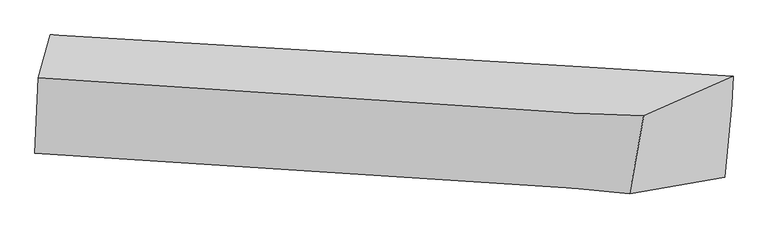
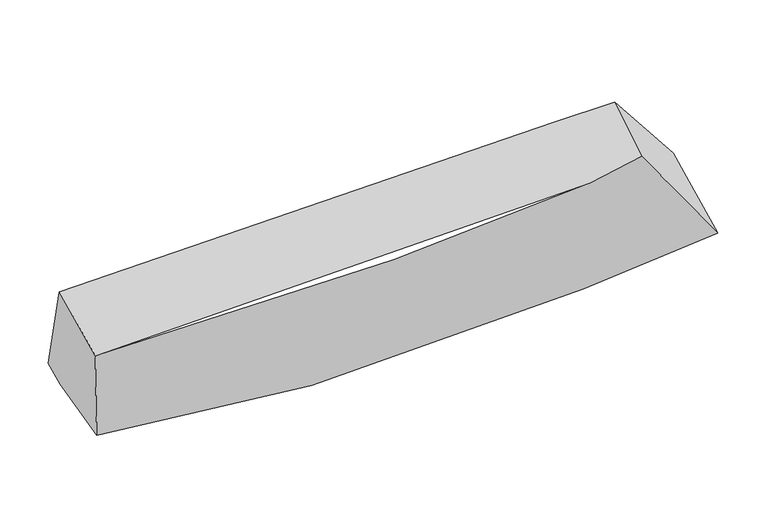
"""IFC4 building model written with IfcOpenShell, lengths in millimetres: proxy geometry."""

from ifc_helpers import new_model, si_unit, frame, origin, place, context, project, spatial, source, transform, mapped, element, save
from ifc_brep_helpers import plane_surface, spline_curve, spline_surface, advanced_brep


def generic_models_53207b30(model_context):
    return source(origin(), model_context, "Body", "AdvancedBrep", [
        advanced_brep(
        [(-1730.1020051, -2241.9076888, 3268.7368385), (-1680.29639, -2169.6616524, 2695.4132729), (1971.317301, -2371.7844079, 2838.177202), (1459.5305002, -2459.3481775, 3566.6029206), (-1654.4838251, -1744.0195251, 2755.7466075), (2008.5573747, -1980.6403473, 2953.1985416), (-1648.6923552, -1608.2613638, 2806.3547147), (2014.9479622, -1830.8382383, 3009.0419702), (-1713.4312198, -1837.0160536, 3427.4063803), (1536.1973005, -2043.1948548, 3633.483698)],
        [
            (0, 1),
            (1, 2, spline_curve(3, [(-1680.29639, -2169.6616524, 2695.4132729), (-950.69152312, -2218.440180984, 2584.09767316), (1.969701749, -2272.663326939, 2596.489488393), (1431.809958288, -2345.227836309, 2762.005562447), (1696.353297401, -2358.378942247, 2797.201723571), (1971.317301, -2371.7844079, 2838.177202)], [4, 2, 4], [0.0, 9.280844266390838, 11.28683022975992])),
            (2, 3),
            (3, 0, spline_curve(3, [(1459.5305002, -2459.3481775, 3566.6029206), (1378.886556401, -2450.879713844, 3536.095157696), (1278.991396235, -2441.626884563, 3507.873222321), (608.605387061, -2385.151855525, 3361.941770149), (-354.710287773, -2321.924522004, 3290.875011432), (-1730.1020051, -2241.9076888, 3268.7368385)], [4, 2, 4], [0.0, 2.0059859633690813, 11.28683022975992])),
            (1, 4),
            (4, 5, spline_curve(3, [(-1654.4838251, -1744.0195251, 2755.7466075), (-954.111032843, -1753.156313638, 2770.083115794), (-4.069668291, -1808.109084795, 2817.132253331), (1454.94871271, -1930.658260712, 2914.133937798), (1725.921081663, -1954.579096925, 2932.902111401), (2008.5573747, -1980.6403473, 2953.1985416)], [4, 2, 4], [0.0, 9.905112962767802, 12.04602999559118])),
            (5, 2),
            (4, 6),
            (6, 7, spline_curve(3, [(-1648.6923552, -1608.2613638, 2806.3547147), (-949.453857724, -1643.987220839, 2810.77931479), (0.52093806, -1700.500430603, 2857.246749871), (1460.756869665, -1794.508939059, 2964.887862227), (1731.995513057, -1812.188020746, 2985.982845356), (2014.9479622, -1830.8382383, 3009.0419702)], [4, 2, 4], [0.0, 9.918753968564653, 12.0626194040731])),
            (7, 5),
            (6, 8),
            (8, 9, spline_curve(3, [(-1713.4312198, -1837.0160536, 3427.4063803), (-412.729343299, -1934.242287276, 3527.978044747), (550.833580292, -1997.990087306, 3592.297549747), (1312.654467452, -2034.801953996, 3626.431444199), (1432.301050498, -2039.780420898, 3630.804378603), (1536.1973005, -2043.1948548, 3633.483698)], [4, 2, 4], [0.0, 9.359379845762975, 11.382340694748452])),
            (9, 7),
            (8, 0),
            (3, 9),
        ],
        [
            spline_surface(3, 3, [[(-1730.1020051, -2241.9076888, 3268.7368385), (-354.710287862, -2321.924521897, 3290.8750114), (608.605387091, -2385.151855532, 3361.941770118), (1278.991396229, -2441.626884562, 3507.873222328), (1378.886556387, -2450.879713814, 3536.09515767), (1459.5305002, -2459.3481775, 3566.6029206)], [(-1713.500133393, -2217.825676659, 3077.628983287), (-553.370699556, -2287.429741627, 3055.282565271), (406.393491958, -2347.655679341, 3106.791009519), (1329.930916947, -2409.49386847, 3259.25066905), (1484.708803398, -2420.046123285, 3289.797346316), (1630.126100468, -2430.160254283, 3323.794347747)], [(-1696.898261707, -2193.743664541, 2886.521128113), (-752.031111273, -2252.93496138, 2819.690119182), (204.181596755, -2310.159503166, 2851.640248894), (1380.870437597, -2377.360852393, 3010.628115746), (1590.531050405, -2389.212532806, 3043.499534921), (1800.721700732, -2400.972331117, 3080.985774853)], [(-1680.29639, -2169.6616524, 2695.4132729), (-950.691522967, -2218.44018111, 2584.097673054), (1.969701622, -2272.663326975, 2596.489488295), (1431.809958315, -2345.227836301, 2762.005562468), (1696.353297416, -2358.378942276, 2797.201723567), (1971.317301, -2371.7844079, 2838.177202)]], [4, 4], [4, 2, 4], [0.0, 2.8011812995695786], [0.0, 9.280844266390838, 11.28683022975992]),
            spline_surface(3, 3, [[(-1680.29639, -2169.6616524, 2695.4132729), (-950.691522967, -2218.44018111, 2584.097673054), (1.969701622, -2272.663326975, 2596.489488295), (1431.809958315, -2345.227836301, 2762.005562468), (1696.353297416, -2358.378942276, 2797.201723567), (1971.317301, -2371.7844079, 2838.177202)], [(-1671.692201719, -2027.780943315, 2715.524384438), (-951.831359579, -2063.345558658, 2646.092820587), (-0.04342173, -2117.811912965, 2670.037076645), (1439.522876451, -2207.03797777, 2812.715020898), (1706.209225494, -2223.77899382, 2842.435186176), (1983.73065889, -2241.403054365, 2876.517648526)], [(-1663.088013381, -1885.900234185, 2735.635495962), (-952.971196134, -1908.250936161, 2708.087968105), (-2.056545066, -1962.960498932, 2743.584665026), (1447.235794602, -2068.848119216, 2863.424479359), (1716.065153603, -2089.179045369, 2887.668648807), (1996.14401681, -2111.021700835, 2914.858095074)], [(-1654.4838251, -1744.0195251, 2755.7466075), (-954.111032746, -1753.156313708, 2770.083115639), (-4.069668418, -1808.109084922, 2817.132253376), (1454.948712737, -1930.658260685, 2914.133937789), (1725.921081681, -1954.579096912, 2932.902111416), (2008.5573747, -1980.6403473, 2953.1985416)]], [4, 4], [4, 2, 4], [0.0, 1.6104438526040301], [0.0, 9.905112962767802, 12.04602999559118]),
            spline_surface(3, 3, [[(-1654.4838251, -1744.0195251, 2755.7466075), (-954.111032746, -1753.156313708, 2770.083115639), (-4.069668418, -1808.109084922, 2817.132253376), (1454.948712737, -1930.658260685, 2914.133937789), (1725.921081681, -1954.579096912, 2932.902111416), (2008.5573747, -1980.6403473, 2953.1985416)], [(-1652.55333511, -1698.766804663, 2772.615976561), (-952.558641061, -1716.766616103, 2783.64851531), (-2.539466272, -1772.239533529, 2830.503752254), (1456.884765053, -1885.275153464, 2931.051912608), (1727.945892157, -1907.115404844, 2950.59568941), (2010.687570551, -1930.706310955, 2971.813017806)], [(-1650.62284519, -1653.514084237, 2789.485345639), (-951.006249444, -1680.376918511, 2797.213914996), (-1.009264135, -1736.36998214, 2843.875251091), (1458.820817361, -1839.892046249, 2947.969887387), (1729.970702581, -1859.65171281, 2968.289267387), (2012.817766349, -1880.772274645, 2990.427493994)], [(-1648.6923552, -1608.2613638, 2806.3547147), (-949.453857758, -1643.987220905, 2810.779314667), (0.520938011, -1700.500430747, 2857.246749968), (1460.756869676, -1794.508939028, 2964.887862206), (1731.995513057, -1812.188020742, 2985.982845382), (2014.9479622, -1830.8382383, 3009.0419702)]], [4, 4], [4, 2, 4], [0.0, 0.403041165789817], [0.0, 9.918753968564653, 12.0626194040731]),
            spline_surface(3, 3, [[(-1648.6923552, -1608.2613638, 2806.3547147), (-949.453857758, -1643.987220905, 2810.779314667), (0.520938011, -1700.500430747, 2857.246749968), (1460.756869676, -1794.508939028, 2964.887862206), (1731.995513057, -1812.188020742, 2985.982845382), (2014.9479622, -1830.8382383, 3009.0419702)], [(-1670.271976749, -1684.512927042, 3013.371936563), (-770.545686329, -1740.738909682, 3049.845558068), (183.95848542, -1799.663649633, 3102.263683197), (1411.389402264, -1874.606610682, 3185.402389522), (1632.097358885, -1888.052154159, 3200.923356443), (1855.364408314, -1901.623777159, 3217.189212784)], [(-1691.851598251, -1760.764490358, 3220.389158437), (-591.637514852, -1837.490598532, 3288.911801478), (367.39603285, -1898.826868507, 3347.280616478), (1362.021934871, -1954.704282324, 3405.916916891), (1532.199204671, -1963.916287499, 3415.863867552), (1695.780854386, -1972.409315941, 3425.336455416)], [(-1713.4312198, -1837.0160536, 3427.4063803), (-412.729343423, -1934.242287309, 3527.978044878), (550.83358026, -1997.990087392, 3592.297549707), (1312.654467459, -2034.801953978, 3626.431444207), (1432.301050499, -2039.780420916, 3630.804378613), (1536.1973005, -2043.1948548, 3633.483698)]], [4, 4], [4, 2, 4], [0.0, 2.7974197396323492], [0.0, 9.359379845762975, 11.382340694748452]),
            spline_surface(3, 3, [[(-1713.4312198, -1837.0160536, 3427.4063803), (-412.729343423, -1934.242287309, 3527.978044878), (550.83358026, -1997.990087392, 3592.297549707), (1312.654467459, -2034.801953978, 3626.431444207), (1432.301050499, -2039.780420916, 3630.804378613), (1536.1973005, -2043.1948548, 3633.483698)], [(-1718.988148228, -1971.979932021, 3374.51653305), (-393.389658231, -2063.469698859, 3448.943700402), (570.09084919, -2127.044010101, 3515.51228985), (1301.433443702, -2170.410264167, 3586.91203692), (1414.496219105, -2176.813518553, 3599.234638303), (1510.641700377, -2181.912629038, 3611.190105537)], [(-1724.545076672, -2106.943810379, 3321.62668575), (-374.049973054, -2192.697110346, 3369.909355876), (589.348118161, -2256.097932824, 3438.727029975), (1290.212419986, -2306.018574372, 3547.392629615), (1396.69138778, -2313.846616176, 3567.66489798), (1485.086100323, -2320.630403262, 3588.896513063)], [(-1730.1020051, -2241.9076888, 3268.7368385), (-354.710287862, -2321.924521897, 3290.8750114), (608.605387091, -2385.151855532, 3361.941770118), (1278.991396229, -2441.626884562, 3507.873222328), (1378.886556387, -2450.879713814, 3536.09515767), (1459.5305002, -2459.3481775, 3566.6029206)]], [4, 4], [4, 2, 4], [0.0, 1.459728936879094], [0.0, 8.7339380375377, 10.621714257604498]),
            plane_surface(frame((1798.1100877, -2137.1612052, 3200.1008665), z_axis=(0.8082930164514822, -0.23562598107171176, 0.5395764974493955), x_axis=(-0.5874241247337487, -0.2605602657376054, 0.7661861690213012))),
            plane_surface(frame((-1685.401159, -1920.1732568, 2990.7315628), z_axis=(-0.994448266081146, 0.07127937227128452, -0.0774073457548711), x_axis=(0.03830682775144805, 0.9303769357735531, 0.3645975100411891))),
        ],
        [
            (0, [[1, 2, 3, 4]]),
            (1, [[5, 6, 7, -2]]),
            (2, [[8, 9, 10, -6]]),
            (3, [[11, 12, 13, -9]]),
            (4, [[14, -4, 15, -12]]),
            (5, [[-13, -15, -3, -7, -10]]),
            (6, [[-14, -11, -8, -5, -1]]),
        ],
    ),
    ])


if __name__ == "__main__":
    model = new_model("IFC4")
    model_context = context("Model", 3, world=origin())
    ifc_project = project(units=[si_unit("LENGTHUNIT", "METRE", prefix="MILLI")], contexts=[model_context])
    site = spatial("IfcSite", under=ifc_project)
    building = spatial("IfcBuilding", under=site)
    placement = place(None, origin())
    generic_models_shape = generic_models_53207b30(model_context)
    element("IfcBuildingElementProxy", 1, Name="Generic Models", at=placement, inside=building, context=model_context, shape_type="MappedRepresentation", body=[
        mapped(generic_models_shape, transform((0.0, 0.0, 0.0), x_axis=(1.0, 0.0, 0.0), y_axis=(0.0, 1.0, 0.0), z_axis=(0.0, 0.0, 1.0))),
    ])
    save(model, "model.ifc")
